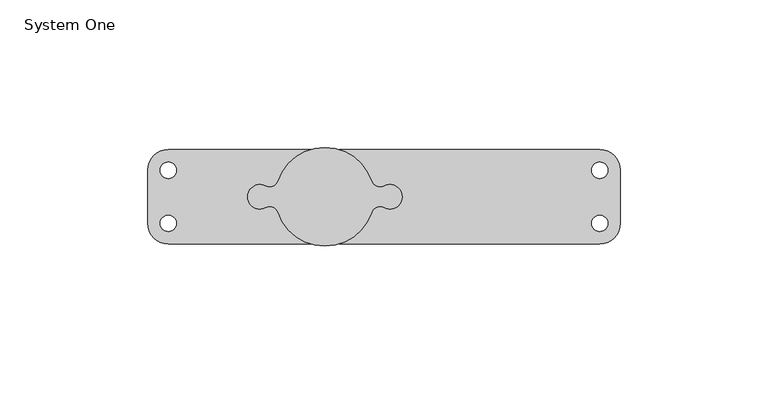
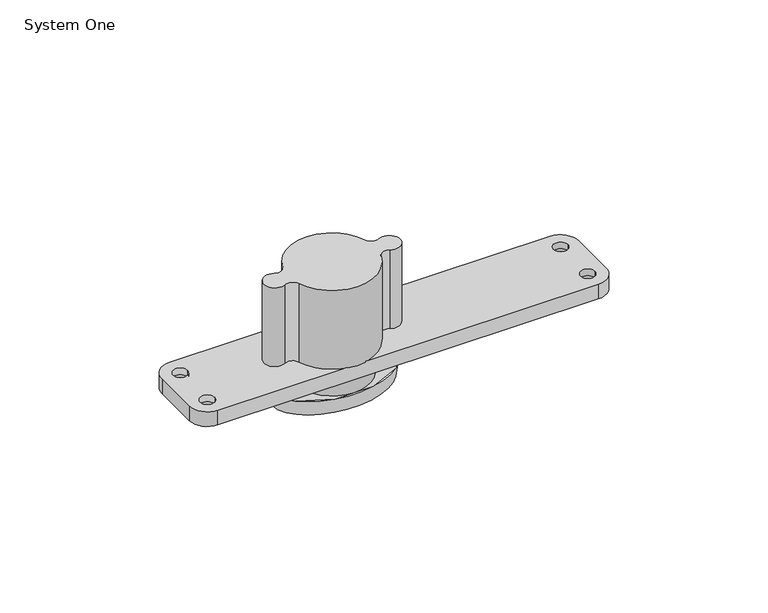
"""IFC4 building model written with IfcOpenShell, lengths in millimetres: proxy geometry, System One."""

from ifc_helpers import new_model, si_unit, point, frame, origin, origin_2d, place, context, project, spatial, polyline, circle_curve, ellipse_curve, trimmed, segment, composite_curve, outline, extrude, source, transform, mapped, element, save
from ifc_brep_helpers import plane_surface, cylinder_surface, revolved_surface, spline_surface, advanced_brep


def system_one_130adf79(model_context):
    return source(origin(), model_context, "Body", "SolidModel", [
        extrude(outline(composite_curve([segment(trimmed(circle_curve(origin_2d(), 14.5), [point((-14.5, 0.0))], [point((14.5, 0.0))], False, "CARTESIAN"), True, "CONTINUOUS"), segment(trimmed(circle_curve(origin_2d(), 14.5), [point((14.5, 0.0))], [point((-14.5, 0.0))], False, "CARTESIAN"), True, "CONTINUOUS")], self_intersect=False)), frame((0.0, 0.0, -6.3), z_axis=(0.0, 0.0, 1.0), x_axis=(1.0, 0.0, 0.0)), (0.0, 0.0, 1.0), 6.3),
        advanced_brep(
        [(-24.0, 0.0, -6.3), (24.0, 0.0, -6.3), (-23.0, 0.0, -12.3), (23.0, 0.0, -12.3)],
        [
            (0, 1, ellipse_curve(frame((0.0, 0.0, -6.3), z_axis=(0.0, 0.0, 1.0), x_axis=(1.0, 0.0, 0.0)), 24.0, 15.5)),
            (1, 0, ellipse_curve(frame((0.0, 0.0, -6.3), z_axis=(0.0, 0.0, 1.0), x_axis=(1.0, 0.0, 0.0)), 24.0, 15.5)),
            (2, 3, ellipse_curve(frame((0.0, 0.0, -12.3), z_axis=(0.0, 0.0, -1.0), x_axis=(1.0, 0.0, 0.0)), 23.0, 14.5)),
            (3, 2, ellipse_curve(frame((0.0, 0.0, -12.3), z_axis=(0.0, 0.0, -1.0), x_axis=(1.0, 0.0, 0.0)), 23.0, 14.5)),
            (3, 1),
            (0, 2),
        ],
        [
            plane_surface(frame((0.0, 0.0, -6.3), z_axis=(0.0, 0.0, 1.0), x_axis=(0.0, -1.0, 0.0))),
            plane_surface(frame((0.0, 0.0, -12.3), z_axis=(0.0, 0.0, -1.0), x_axis=(0.0, -1.0, 0.0))),
            spline_surface(2, 1, [[(-23.0, 0.0, -12.3), (-24.0, 0.0, -6.3)], [(-23.0, -14.5, -12.3), (-24.0, -15.5, -6.3)], [(0.0, -14.5, -12.3), (0.0, -15.5, -6.3)], [(23.0, -14.5, -12.3), (24.0, -15.5, -6.3)], [(23.0, 0.0, -12.3), (24.0, 0.0, -6.3)]], [3, 2, 3], [2, 2], [0.0, 1.0, 2.0], [0.0, 1.0], weights=[[1.0, 1.0], [0.7071067811865476, 0.7071067811865476], [1.0, 1.0], [0.7071067811865476, 0.7071067811865476], [1.0, 1.0]]),
            spline_surface(2, 1, [[(23.0, 0.0, -12.3), (24.0, 0.0, -6.3)], [(23.0, 14.5, -12.3), (24.0, 15.5, -6.3)], [(0.0, 14.5, -12.3), (0.0, 15.5, -6.3)], [(-23.0, 14.5, -12.3), (-24.0, 15.5, -6.3)], [(-23.0, 0.0, -12.3), (-24.0, 0.0, -6.3)]], [3, 2, 3], [2, 2], [0.0, 1.0, 2.0], [0.0, 1.0], weights=[[1.0, 1.0], [0.7071067811865476, 0.7071067811865476], [1.0, 1.0], [0.7071067811865476, 0.7071067811865476], [1.0, 1.0]]),
        ],
        [
            (0, [[1, 2]]),
            (1, [[3, 4]]),
            (2, [[-4, 5, -1, 6]]),
            (3, [[-3, -6, -2, -5]]),
        ],
    ),
        advanced_brep(
        [(93.0, -15.9997165, 6.0), (100.0, -8.9997165, 6.0), (100.0, 9.0002835, 6.0), (93.0, 16.0002835, 6.0), (4.8213413, 16.0002835, 6.0), (15.83968, 5.3253112, 6.0), (20.0391034, 3.665322, 6.0), (20.0391034, -3.665322, 6.0), (15.83968, -5.3253112, 6.0), (4.8232224, -15.9997165, 6.0), (90.25, -9.0, 6.0), (95.75, -9.0, 6.0), (90.25, 9.0, 6.0), (95.75, 9.0, 6.0), (-53.0, 16.0002835, 6.0), (-60.0, 9.0002835, 6.0), (-60.0, -8.9997165, 6.0), (-53.0, -15.9997165, 6.0), (-4.8232224, -15.9997165, 6.0), (-15.8409091, -5.3216541, 6.0), (-20.0391007, -3.6653271, 6.0), (-20.0391007, 3.6653271, 6.0), (-15.8409091, 5.3216541, 6.0), (-4.8213413, 16.0002835, 6.0), (-55.75, 9.0, 6.0), (-50.25, 9.0, 6.0), (-55.75, -9.0, 6.0), (-50.25, -9.0, 6.0), (-53.0, -15.9997165, 0.0), (-60.0, -8.9997165, 0.0), (-60.0, 9.0002835, 0.0), (-53.0, 16.0002835, 0.0), (93.0, 16.0002835, 0.0), (100.0, 9.0002835, 0.0), (100.0, -8.9997165, 0.0), (93.0, -15.9997165, 0.0), (-47.0, 9.0, 0.0), (-59.0, 9.0, 0.0), (-47.0, -9.0, 0.0), (-59.0, -9.0, 0.0), (99.0, -9.0, 0.0), (87.0, -9.0, 0.0), (99.0, 9.0, 0.0), (87.0, 9.0, 0.0), (-50.25, 9.0, 3.25), (-55.75, 9.0, 3.25), (-50.25, -9.0, 3.25), (-55.75, -9.0, 3.25), (90.25, -9.0, 3.25), (95.75, -9.0, 3.25), (90.25, 9.0, 3.25), (95.75, 9.0, 3.25), (-20.0391007, -3.6653271, 38.0), (-15.8409091, -5.3216541, 38.0), (15.83968, -5.3253112, 38.0), (20.0391034, -3.665322, 38.0), (20.0391034, 3.665322, 38.0), (15.83968, 5.3253112, 38.0), (-15.8409091, 5.3216541, 38.0), (-20.0391007, 3.6653271, 38.0)],
        [
            (0, 1, circle_curve(frame((93.0, -8.9997165, 6.0), z_axis=(0.0, 0.0, 1.0), x_axis=(1.0, 0.0, 0.0)), 7.0)),
            (1, 2),
            (2, 3, circle_curve(frame((93.0, 9.0002835, 6.0), z_axis=(0.0, 0.0, 1.0), x_axis=(1.0, 0.0, 0.0)), 7.0)),
            (3, 4),
            (4, 5, circle_curve(frame((0.0, 0.0, 6.0), z_axis=(0.0, 0.0, -1.0), x_axis=(1.0, 0.0, 0.0)), 16.7109067)),
            (5, 6, circle_curve(frame((18.6363636, 6.2585088, 6.0), z_axis=(0.0, 0.0, 1.0), x_axis=(1.0, 0.0, 0.0)), 2.9482702)),
            (6, 7, circle_curve(frame((22.0, 0.0, 6.0), z_axis=(0.0, 0.0, -1.0), x_axis=(1.0, 0.0, 0.0)), 4.1568859)),
            (7, 8, circle_curve(frame((18.6363636, -6.2585088, 6.0), z_axis=(0.0, 0.0, 1.0), x_axis=(1.0, 0.0, 0.0)), 2.9482702)),
            (8, 9, circle_curve(frame((0.0, 0.0, 6.0), z_axis=(0.0, 0.0, -1.0), x_axis=(1.0, 0.0, 0.0)), 16.7109067)),
            (9, 0),
            (10, 11, circle_curve(frame((93.0, -9.0, 6.0), z_axis=(0.0, 0.0, -1.0), x_axis=(1.0, 0.0, 0.0)), 2.75)),
            (11, 10, circle_curve(frame((93.0, -9.0, 6.0), z_axis=(0.0, 0.0, -1.0), x_axis=(1.0, 0.0, 0.0)), 2.75)),
            (12, 13, circle_curve(frame((93.0, 9.0, 6.0), z_axis=(0.0, 0.0, -1.0), x_axis=(1.0, 0.0, 0.0)), 2.75)),
            (13, 12, circle_curve(frame((93.0, 9.0, 6.0), z_axis=(0.0, 0.0, -1.0), x_axis=(1.0, 0.0, 0.0)), 2.75)),
            (14, 15, circle_curve(frame((-53.0, 9.0002835, 6.0), z_axis=(0.0, 0.0, 1.0), x_axis=(1.0, 0.0, 0.0)), 7.0)),
            (15, 16),
            (16, 17, circle_curve(frame((-53.0, -8.9997165, 6.0), z_axis=(0.0, 0.0, 1.0), x_axis=(1.0, 0.0, 0.0)), 7.0)),
            (17, 18),
            (18, 19, circle_curve(frame((0.0, 0.0, 6.0), z_axis=(0.0, 0.0, -1.0), x_axis=(1.0, 0.0, 0.0)), 16.7109067)),
            (19, 20, circle_curve(frame((-18.6363636, -6.2585088, 6.0), z_axis=(0.0, 0.0, 1.0), x_axis=(1.0, 0.0, 0.0)), 2.9482644)),
            (20, 21, circle_curve(frame((-22.0, 0.0, 6.0), z_axis=(0.0, 0.0, -1.0), x_axis=(1.0, 0.0, 0.0)), 4.1568917)),
            (21, 22, circle_curve(frame((-18.6363636, 6.2585088, 6.0), z_axis=(0.0, 0.0, 1.0), x_axis=(1.0, 0.0, 0.0)), 2.9482644)),
            (22, 23, circle_curve(frame((0.0, 0.0, 6.0), z_axis=(0.0, 0.0, -1.0), x_axis=(1.0, 0.0, 0.0)), 16.7109067)),
            (23, 14),
            (24, 25, circle_curve(frame((-53.0, 9.0, 6.0), z_axis=(0.0, 0.0, -1.0), x_axis=(-1.0, 0.0, 0.0)), 2.75)),
            (25, 24, circle_curve(frame((-53.0, 9.0, 6.0), z_axis=(0.0, 0.0, -1.0), x_axis=(-1.0, 0.0, 0.0)), 2.75)),
            (26, 27, circle_curve(frame((-53.0, -9.0, 6.0), z_axis=(0.0, 0.0, -1.0), x_axis=(-1.0, 0.0, 0.0)), 2.75)),
            (27, 26, circle_curve(frame((-53.0, -9.0, 6.0), z_axis=(0.0, 0.0, -1.0), x_axis=(-1.0, 0.0, 0.0)), 2.75)),
            (28, 29, circle_curve(frame((-53.0, -8.9997165, 0.0), z_axis=(0.0, 0.0, -1.0), x_axis=(1.0, 0.0, 0.0)), 7.0)),
            (29, 30),
            (30, 31, circle_curve(frame((-53.0, 9.0002835, 0.0), z_axis=(0.0, 0.0, -1.0), x_axis=(1.0, 0.0, 0.0)), 7.0)),
            (31, 32),
            (32, 33, circle_curve(frame((93.0, 9.0002835, 0.0), z_axis=(0.0, 0.0, -1.0), x_axis=(1.0, 0.0, 0.0)), 7.0)),
            (33, 34),
            (34, 35, circle_curve(frame((93.0, -8.9997165, 0.0), z_axis=(0.0, 0.0, -1.0), x_axis=(1.0, 0.0, 0.0)), 7.0)),
            (35, 28),
            (36, 37, circle_curve(frame((-53.0, 9.0, 0.0), z_axis=(0.0, 0.0, 1.0), x_axis=(-1.0, 0.0, 0.0)), 6.0)),
            (37, 36, circle_curve(frame((-53.0, 9.0, 0.0), z_axis=(0.0, 0.0, 1.0), x_axis=(-1.0, 0.0, 0.0)), 6.0)),
            (38, 39, circle_curve(frame((-53.0, -9.0, 0.0), z_axis=(0.0, 0.0, 1.0), x_axis=(-1.0, 0.0, 0.0)), 6.0)),
            (39, 38, circle_curve(frame((-53.0, -9.0, 0.0), z_axis=(0.0, 0.0, 1.0), x_axis=(-1.0, 0.0, 0.0)), 6.0)),
            (40, 41, circle_curve(frame((93.0, -9.0, 0.0), z_axis=(0.0, 0.0, 1.0), x_axis=(1.0, 0.0, 0.0)), 6.0)),
            (41, 40, circle_curve(frame((93.0, -9.0, 0.0), z_axis=(0.0, 0.0, 1.0), x_axis=(1.0, 0.0, 0.0)), 6.0)),
            (42, 43, circle_curve(frame((93.0, 9.0, 0.0), z_axis=(0.0, 0.0, 1.0), x_axis=(1.0, 0.0, 0.0)), 6.0)),
            (43, 42, circle_curve(frame((93.0, 9.0, 0.0), z_axis=(0.0, 0.0, 1.0), x_axis=(1.0, 0.0, 0.0)), 6.0)),
            (35, 0),
            (9, 18),
            (17, 28),
            (34, 1),
            (33, 2),
            (32, 3),
            (31, 14),
            (23, 4),
            (30, 15),
            (29, 16),
            (36, 44),
            (44, 45, circle_curve(frame((-53.0, 9.0, 3.25), z_axis=(0.0, 0.0, 1.0), x_axis=(-1.0, 0.0, 0.0)), 2.75)),
            (45, 37),
            (45, 44, circle_curve(frame((-53.0, 9.0, 3.25), z_axis=(0.0, 0.0, 1.0), x_axis=(-1.0, 0.0, 0.0)), 2.75)),
            (44, 25),
            (24, 45),
            (38, 46),
            (46, 47, circle_curve(frame((-53.0, -9.0, 3.25), z_axis=(0.0, 0.0, 1.0), x_axis=(-1.0, 0.0, 0.0)), 2.75)),
            (47, 39),
            (47, 46, circle_curve(frame((-53.0, -9.0, 3.25), z_axis=(0.0, 0.0, 1.0), x_axis=(-1.0, 0.0, 0.0)), 2.75)),
            (46, 27),
            (26, 47),
            (48, 41),
            (40, 49),
            (49, 48, circle_curve(frame((93.0, -9.0, 3.25), z_axis=(0.0, 0.0, 1.0), x_axis=(1.0, 0.0, 0.0)), 2.75)),
            (48, 49, circle_curve(frame((93.0, -9.0, 3.25), z_axis=(0.0, 0.0, 1.0), x_axis=(1.0, 0.0, 0.0)), 2.75)),
            (49, 11),
            (10, 48),
            (50, 43),
            (42, 51),
            (51, 50, circle_curve(frame((93.0, 9.0, 3.25), z_axis=(0.0, 0.0, 1.0), x_axis=(1.0, 0.0, 0.0)), 2.75)),
            (50, 51, circle_curve(frame((93.0, 9.0, 3.25), z_axis=(0.0, 0.0, 1.0), x_axis=(1.0, 0.0, 0.0)), 2.75)),
            (51, 13),
            (12, 50),
            (52, 53, circle_curve(frame((-18.6363636, -6.2585088, 38.0), z_axis=(0.0, 0.0, -1.0), x_axis=(1.0, 0.0, 0.0)), 2.9482644)),
            (53, 54, circle_curve(frame((0.0, 0.0, 38.0), z_axis=(0.0, 0.0, 1.0), x_axis=(1.0, 0.0, 0.0)), 16.7109067)),
            (54, 55, circle_curve(frame((18.6363636, -6.2585088, 38.0), z_axis=(0.0, 0.0, -1.0), x_axis=(1.0, 0.0, 0.0)), 2.9482702)),
            (55, 56, circle_curve(frame((22.0, 0.0, 38.0), z_axis=(0.0, 0.0, 1.0), x_axis=(1.0, 0.0, 0.0)), 4.1568859)),
            (56, 57, circle_curve(frame((18.6363636, 6.2585088, 38.0), z_axis=(0.0, 0.0, -1.0), x_axis=(1.0, 0.0, 0.0)), 2.9482702)),
            (57, 58, circle_curve(frame((0.0, 0.0, 38.0), z_axis=(0.0, 0.0, 1.0), x_axis=(1.0, 0.0, 0.0)), 16.7109067)),
            (58, 59, circle_curve(frame((-18.6363636, 6.2585088, 38.0), z_axis=(0.0, 0.0, -1.0), x_axis=(1.0, 0.0, 0.0)), 2.9482644)),
            (59, 52, circle_curve(frame((-22.0, 0.0, 38.0), z_axis=(0.0, 0.0, 1.0), x_axis=(1.0, 0.0, 0.0)), 4.1568917)),
            (9, 18, circle_curve(frame((0.0, 0.0, 6.0), z_axis=(0.0, 0.0, -1.0), x_axis=(1.0, 0.0, 0.0)), 16.7109067)),
            (23, 4, circle_curve(frame((0.0, 0.0, 6.0), z_axis=(0.0, 0.0, -1.0), x_axis=(1.0, 0.0, 0.0)), 16.7109067)),
            (52, 20),
            (19, 53),
            (8, 54),
            (7, 55),
            (6, 56),
            (5, 57),
            (22, 58),
            (21, 59),
        ],
        [
            plane_surface(frame((93.0, -15.9997165, 6.0), z_axis=(0.0, 0.0, 1.0), x_axis=(1.0, 0.0, 0.0))),
            plane_surface(frame((93.0, -15.9997165, 0.0), z_axis=(0.0, 0.0, -1.0), x_axis=(-1.0, 0.0, 0.0))),
            plane_surface(frame((-53.0, -15.9997165, 6.0), z_axis=(0.0, -1.0, 0.0), x_axis=(0.0, 0.0, -1.0))),
            cylinder_surface(frame((93.0, -8.9997165, 0.0), z_axis=(0.0, 0.0, 1.0), x_axis=(1.0, 0.0, 0.0)), 7.0),
            plane_surface(frame((100.0, -8.9997165, 6.0), z_axis=(1.0, 0.0, 0.0), x_axis=(0.0, 0.0, -1.0))),
            cylinder_surface(frame((93.0, 9.0002835, 0.0), z_axis=(0.0, 0.0, 1.0), x_axis=(1.0, 0.0, 0.0)), 7.0),
            plane_surface(frame((93.0, 16.0002835, 6.0), z_axis=(0.0, 1.0, 0.0), x_axis=(0.0, 0.0, -1.0))),
            cylinder_surface(frame((-53.0, 9.0002835, 0.0), z_axis=(0.0, 0.0, 1.0), x_axis=(1.0, 0.0, 0.0)), 7.0),
            plane_surface(frame((-60.0, 9.0002835, 6.0), z_axis=(-1.0, 0.0, 0.0), x_axis=(0.0, 0.0, -1.0))),
            cylinder_surface(frame((-53.0, -8.9997165, 0.0), z_axis=(0.0, 0.0, 1.0), x_axis=(1.0, 0.0, 0.0)), 7.0),
            revolved_surface(polyline([(-59.0, 9.0, 0.0), (-55.75, 9.0, 3.25)]), (-53.0, 9.0, 0.0), (0.0, 0.0, -1.0)),
            revolved_surface(polyline([(-55.75, 9.0, 3.25), (-55.75, 9.0, 6.0)]), (-53.0, 9.0, 0.0), (0.0, 0.0, -1.0)),
            revolved_surface(polyline([(-59.0, -9.0, 0.0), (-55.75, -9.0, 3.25)]), (-53.0, -9.0, 0.0), (0.0, 0.0, -1.0)),
            revolved_surface(polyline([(-55.75, -9.0, 3.25), (-55.75, -9.0, 6.0)]), (-53.0, -9.0, 0.0), (0.0, 0.0, -1.0)),
            revolved_surface(polyline([(95.75, -9.0, 3.25), (99.0, -9.0, 0.0)]), (93.0, -9.0, 0.0), (0.0, 0.0, 1.0)),
            revolved_surface(polyline([(95.75, -9.0, 6.0), (95.75, -9.0, 3.25)]), (93.0, -9.0, 0.0), (0.0, 0.0, 1.0)),
            revolved_surface(polyline([(95.75, 9.0, 3.25), (99.0, 9.0, 0.0)]), (93.0, 9.0, 0.0), (0.0, 0.0, 1.0)),
            revolved_surface(polyline([(95.75, 9.0, 6.0), (95.75, 9.0, 3.25)]), (93.0, 9.0, 0.0), (0.0, 0.0, 1.0)),
            plane_surface(frame((-15.6880992, -6.2585088, 38.0), z_axis=(0.0, 0.0, 1.0), x_axis=(0.0, -1.0, 0.0))),
            plane_surface(frame((-15.6880992, -6.2585088, 6.0), z_axis=(0.0, 0.0, -1.0), x_axis=(0.0, 1.0, 0.0))),
            revolved_surface(polyline([(-15.6880992, -6.2585088, 6.0), (-15.6880992, -6.2585088, 38.0)]), (-18.6363636, -6.2585088, 6.0), (0.0, 0.0, -1.0)),
            cylinder_surface(frame((0.0, 0.0, 6.0), z_axis=(0.0, 0.0, 1.0), x_axis=(1.0, 0.0, 0.0)), 16.7109067),
            revolved_surface(polyline([(21.5846338, -6.2585088, 6.0), (21.5846338, -6.2585088, 38.0)]), (18.6363636, -6.2585088, 6.0), (0.0, 0.0, -1.0)),
            cylinder_surface(frame((22.0, 0.0, 6.0), z_axis=(0.0, 0.0, 1.0), x_axis=(1.0, 0.0, 0.0)), 4.1568859),
            revolved_surface(polyline([(21.5846338, 6.2585088, 6.0), (21.5846338, 6.2585088, 38.0)]), (18.6363636, 6.2585088, 6.0), (0.0, 0.0, -1.0)),
            revolved_surface(polyline([(-15.6880992, 6.2585088, 6.0), (-15.6880992, 6.2585088, 38.0)]), (-18.6363636, 6.2585088, 6.0), (0.0, 0.0, -1.0)),
            cylinder_surface(frame((-22.0, 0.0, 6.0), z_axis=(0.0, 0.0, 1.0), x_axis=(1.0, 0.0, 0.0)), 4.1568917),
        ],
        [
            (0, [[1, 2, 3, 4, 5, 6, 7, 8, 9, 10], [11, 12], [13, 14]]),
            (0, [[15, 16, 17, 18, 19, 20, 21, 22, 23, 24], [25, 26], [27, 28]]),
            (1, [[29, 30, 31, 32, 33, 34, 35, 36], [37, 38], [39, 40], [41, 42], [43, 44]]),
            (2, [[-36, 45, -10, 46, -18, 47]]),
            (3, [[-1, -45, -35, 48]]),
            (4, [[-2, -48, -34, 49]]),
            (5, [[-3, -49, -33, 50]]),
            (6, [[-32, 51, -24, 52, -4, -50]]),
            (7, [[-15, -51, -31, 53]]),
            (8, [[-16, -53, -30, 54]]),
            (9, [[-17, -54, -29, -47]]),
            (10, [[55, 56, 57, -37]]),
            (10, [[-55, -38, -57, 58]]),
            (11, [[-56, 59, -25, 60]]),
            (11, [[-58, -60, -26, -59]]),
            (12, [[61, 62, 63, -39]]),
            (12, [[-61, -40, -63, 64]]),
            (13, [[-62, 65, -27, 66]]),
            (13, [[-64, -66, -28, -65]]),
            (14, [[67, -41, 68, 69]]),
            (14, [[-67, 70, -68, -42]]),
            (15, [[-69, 71, -11, 72]]),
            (15, [[-70, -72, -12, -71]]),
            (16, [[73, -43, 74, 75]]),
            (16, [[-73, 76, -74, -44]]),
            (17, [[-75, 77, -13, 78]]),
            (17, [[-76, -78, -14, -77]]),
            (18, [[79, 80, 81, 82, 83, 84, 85, 86]]),
            (19, [[87, -46]]),
            (19, [[88, -52]]),
            (20, [[-79, 89, -20, 90]]),
            (21, [[-80, -90, -19, -87, -9, 91]]),
            (22, [[-81, -91, -8, 92]]),
            (23, [[-82, -92, -7, 93]]),
            (24, [[-83, -93, -6, 94]]),
            (21, [[-84, -94, -5, -88, -23, 95]]),
            (25, [[-85, -95, -22, 96]]),
            (26, [[-86, -96, -21, -89]]),
        ],
    ),
    ])


if __name__ == "__main__":
    model = new_model("IFC4")
    model_context = context("Model", 3, world=origin())
    ifc_project = project(units=[si_unit("LENGTHUNIT", "METRE", prefix="MILLI")], contexts=[model_context])
    site = spatial("IfcSite", under=ifc_project)
    building = spatial("IfcBuilding", under=site)
    placement = place(None, origin())
    system_one_shape = system_one_130adf79(model_context)
    element("IfcBuildingElementProxy", 1, Name="System One", ObjectType="System One", at=placement, inside=building, context=model_context, shape_type="MappedRepresentation", body=[
        mapped(system_one_shape, transform((0.0, 0.0, 0.0), x_axis=(1.0, 0.0, 0.0), y_axis=(0.0, 1.0, 0.0), z_axis=(0.0, 0.0, 1.0))),
    ])
    save(model, "model.ifc")
